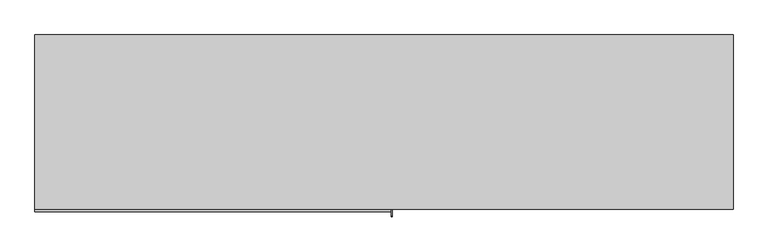
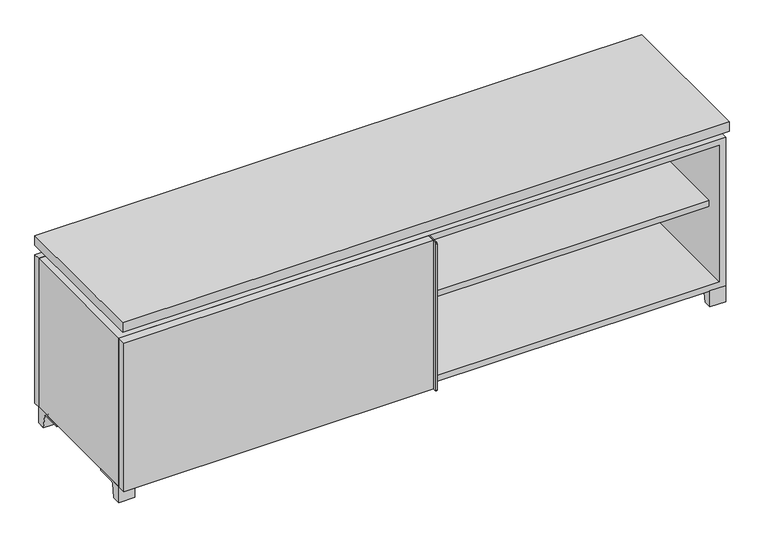
"""IFC4 building model written with IfcOpenShell, lengths in millimetres: furniture geometry."""

from ifc_helpers import new_model, si_unit, point, frame, frame_2d, origin, place, context, project, spatial, polyline, circle_curve, trimmed, segment, composite_curve, outline, extrude, faceted_brep, source, transform, mapped, element, save


def furniture_5260ff11(model_context):
    return source(origin(), model_context, "Body", "SolidModel", [
        extrude(outline(polyline([(9.5319453, 241.3), (895.3569453, 241.3), (895.3569453, -92.075), (9.5319453, -92.075), (9.5319453, 241.3)])), frame((0.0, 0.0, 277.8125), z_axis=(0.0, 0.0, 1.0), x_axis=(1.0, 0.0, 0.0)), (0.0, 0.0, 1.0), 19.05),
        extrude(outline(polyline([(-9.5041641, 241.3), (-9.5041641, -92.075), (-895.3291641, -92.075), (-895.3291641, 241.3), (-9.5041641, 241.3)])), frame((0.0, 0.0, 277.8125), z_axis=(0.0, 0.0, 1.0), x_axis=(1.0, 0.0, 0.0)), (0.0, 0.0, 1.0), 19.05),
        extrude(outline(composite_curve([segment(polyline([(47.6249864, 0.0), (22.225, 0.0), (22.225, 50.8), (117.475, 50.8), (117.475, 46.0213321), (60.6744655, 46.0213321)]), True, "CONTINUOUS"), segment(trimmed(circle_curve(frame_2d((60.6744655, 39.6713321)), 6.35), [point((60.6744655, 46.0213321))], [point((54.4108641, 40.7152656))], True, "CARTESIAN"), True, "CONTINUOUS"), segment(polyline([(54.4108641, 40.7152656), (47.6249864, 0.0)]), True, "CONTINUOUS")], self_intersect=False)), frame((-23.7986094, 0.0, 0.0), z_axis=(1.0, 0.0, 0.0), x_axis=(0.0, 1.0, 0.0)), (0.0, 0.0, 1.0), 47.625),
        extrude(outline(polyline([(914.4138906, 292.1), (914.4138906, -165.1), (-914.3861094, -165.1), (-914.3861094, 292.1), (914.4138906, 292.1)])), frame((0.0, 0.0, 554.0375), z_axis=(0.0, 0.0, 1.0), x_axis=(1.0, 0.0, 0.0)), (0.0, 0.0, 1.0), 30.1625),
        extrude(outline(composite_curve([segment(polyline([(-146.05, 523.875), (-146.05, 50.8), (-180.975, 50.8)]), True, "CONTINUOUS"), segment(trimmed(circle_curve(frame_2d((-180.975, 53.975)), 3.175), [point((-180.975, 50.8))], [point((-184.15, 53.975))], False, "CARTESIAN"), True, "CONTINUOUS"), segment(polyline([(-184.15, 53.975), (-184.15, 520.7)]), True, "CONTINUOUS"), segment(trimmed(circle_curve(frame_2d((-180.975, 520.7)), 3.175), [point((-184.15, 520.7))], [point((-180.975, 523.875))], False, "CARTESIAN"), True, "CONTINUOUS"), segment(polyline([(-180.975, 523.875), (-146.05, 523.875)]), True, "CONTINUOUS")], self_intersect=False)), frame((19.0638906, 0.0, 0.0), z_axis=(1.0, 0.0, 0.0), x_axis=(0.0, 1.0, 0.0)), (0.0, 0.0, 1.0), 3.175),
        extrude(outline(polyline([(-914.3861094, -146.05), (19.0638906, -146.05), (19.0638906, -171.45), (-914.3861094, -171.45), (-914.3861094, -146.05)])), frame((0.0, 0.0, 50.8), z_axis=(0.0, 0.0, 1.0), x_axis=(1.0, 0.0, 0.0)), (0.0, 0.0, 1.0), 473.075),
        extrude(outline(composite_curve([segment(polyline([(-120.6500136, 0.0), (-146.05, 0.0), (-146.05, 50.8), (-50.8, 50.8), (-50.8, 46.0213321), (-107.6005345, 46.0213321)]), True, "CONTINUOUS"), segment(trimmed(circle_curve(frame_2d((-107.6005345, 39.6713321)), 6.35), [point((-107.6005345, 46.0213321))], [point((-113.8641359, 40.7152656))], True, "CARTESIAN"), True, "CONTINUOUS"), segment(polyline([(-113.8641359, 40.7152656), (-120.6500136, 0.0)]), True, "CONTINUOUS")], self_intersect=False)), frame((866.7888906, 0.0, 0.0), z_axis=(1.0, 0.0, 0.0), x_axis=(0.0, 1.0, 0.0)), (0.0, 0.0, 1.0), 47.625),
        extrude(outline(composite_curve([segment(polyline([(247.6500136, 0.0), (240.8641359, 40.7152656)]), True, "CONTINUOUS"), segment(trimmed(circle_curve(frame_2d((234.6005345, 39.6713321)), 6.35), [point((240.8641359, 40.7152656))], [point((234.6005345, 46.0213321))], True, "CARTESIAN"), True, "CONTINUOUS"), segment(polyline([(234.6005345, 46.0213321), (177.8, 46.0213321), (177.8, 50.8), (273.05, 50.8), (273.05, 0.0), (247.6500136, 0.0)]), True, "CONTINUOUS")], self_intersect=False)), frame((866.7888906, 0.0, 0.0), z_axis=(1.0, 0.0, 0.0), x_axis=(0.0, 1.0, 0.0)), (0.0, 0.0, 1.0), 47.625),
        extrude(outline(composite_curve([segment(polyline([(-120.6500136, 0.0), (-146.05, 0.0), (-146.05, 50.8), (-50.8, 50.8), (-50.8, 46.0213321), (-107.6005345, 46.0213321)]), True, "CONTINUOUS"), segment(trimmed(circle_curve(frame_2d((-107.6005345, 39.6713321)), 6.35), [point((-107.6005345, 46.0213321))], [point((-113.8641359, 40.7152656))], True, "CARTESIAN"), True, "CONTINUOUS"), segment(polyline([(-113.8641359, 40.7152656), (-120.6500136, 0.0)]), True, "CONTINUOUS")], self_intersect=False)), frame((-914.3861094, 0.0, 0.0), z_axis=(1.0, 0.0, 0.0), x_axis=(0.0, 1.0, 0.0)), (0.0, 0.0, 1.0), 47.625),
        extrude(outline(composite_curve([segment(polyline([(247.6500136, 0.0), (240.8641359, 40.7152656)]), True, "CONTINUOUS"), segment(trimmed(circle_curve(frame_2d((234.6005345, 39.6713321)), 6.35), [point((240.8641359, 40.7152656))], [point((234.6005345, 46.0213321))], True, "CARTESIAN"), True, "CONTINUOUS"), segment(polyline([(234.6005345, 46.0213321), (177.8, 46.0213321), (177.8, 50.8), (273.05, 50.8), (273.05, 0.0), (247.6500136, 0.0)]), True, "CONTINUOUS")], self_intersect=False)), frame((-914.3861094, 0.0, 0.0), z_axis=(1.0, 0.0, 0.0), x_axis=(0.0, 1.0, 0.0)), (0.0, 0.0, 1.0), 47.625),
        faceted_brep([(7.9513906, -120.65, 554.0375), (7.9513906, -120.65, 523.875), (7.9513906, 53.975, 523.875), (7.9513906, 53.975, 554.0375), (7.9513906, 247.65, 523.875), (7.9513906, 247.65, 554.0375), (7.9513906, 73.025, 554.0375), (7.9513906, 73.025, 523.875), (-7.9236094, 247.65, 554.0375), (-7.9236094, 247.65, 523.875), (-7.9236094, 73.025, 523.875), (-7.9236094, 73.025, 554.0375), (-7.9236094, -120.65, 523.875), (-7.9236094, -120.65, 554.0375), (-7.9236094, 53.975, 554.0375), (-7.9236094, 53.975, 523.875), (-873.0833281, 73.025, 554.0375), (-873.1041641, 247.65, 554.0375), (-888.9791641, 247.65, 554.0375), (-888.9791641, -120.65, 554.0375), (-873.1041641, -120.65, 554.0375), (-873.1041641, 53.975, 554.0375), (873.1111094, 53.975, 554.0375), (873.1111094, -120.65, 554.0375), (888.9861094, -120.65, 554.0375), (888.9861094, 247.65, 554.0375), (873.1111094, 247.65, 554.0375), (873.1111094, 73.025, 554.0375), (-873.0833281, 53.975, 523.875), (-873.1041641, -120.65, 523.875), (-888.9791641, -120.65, 523.875), (-888.9791641, 247.65, 523.875), (-873.1041641, 247.65, 523.875), (-873.1041641, 73.025, 523.875), (873.1111094, 73.025, 523.875), (873.1111094, 247.65, 523.875), (888.9861094, 247.65, 523.875), (888.9861094, -120.65, 523.875), (873.1111094, -120.65, 523.875), (873.1111094, 53.975, 523.875)], [[[0, 1, 2, 3]], [[4, 5, 6, 7]], [[8, 9, 10, 11]], [[12, 13, 14, 15]], [[5, 8, 11, 16, 17, 18, 19, 20, 21, 14, 13, 0, 3, 22, 23, 24, 25, 26, 27, 6]], [[1, 12, 15, 28, 29, 30, 31, 32, 33, 10, 9, 4, 7, 34, 35, 36, 37, 38, 39, 2]], [[5, 4, 9, 8]], [[1, 0, 13, 12]], [[6, 27, 34, 7]], [[22, 3, 2, 39]], [[20, 29, 28, 21]], [[32, 17, 16, 33]], [[18, 31, 30, 19]], [[29, 20, 19, 30]], [[17, 32, 31, 18]], [[26, 35, 34, 27]], [[38, 23, 22, 39]], [[25, 24, 37, 36]], [[23, 38, 37, 24]], [[35, 26, 25, 36]], [[16, 11, 10, 33]], [[14, 21, 28, 15]]]),
        extrude(outline(polyline([(9.5388906, 241.3), (9.5388906, -95.25), (-9.5111094, -95.25), (-9.5111094, 241.3), (9.5388906, 241.3)])), frame((0.0, 0.0, 69.85), z_axis=(0.0, 0.0, 1.0), x_axis=(1.0, 0.0, 0.0)), (0.0, 0.0, 1.0), 434.975),
        extrude(outline(polyline([(15.8888906, -88.9), (15.8888906, -146.05), (-9.5111094, -146.05), (-9.5111094, -120.65), (3.1888906, -120.65), (3.1888906, -88.9), (15.8888906, -88.9)])), frame((0.0, 0.0, 69.85), z_axis=(0.0, 0.0, 1.0), x_axis=(1.0, 0.0, 0.0)), (0.0, 0.0, 1.0), 434.975),
        extrude(outline(polyline([(914.4138906, 273.05), (-914.3861094, 273.05), (-914.3861094, 292.1), (914.4138906, 292.1), (914.4138906, 273.05)])), frame((0.0, 0.0, 50.8), z_axis=(0.0, 0.0, 1.0), x_axis=(1.0, 0.0, 0.0)), (0.0, 0.0, 1.0), 473.075),
        extrude(outline(polyline([(50.8, -914.3861094), (50.8, 914.4), (523.875, 914.4), (523.875, -914.3861094), (50.8, -914.3861094)]), holes=[polyline([(69.85, -895.3361094), (504.825, -895.3361094), (504.825, 895.3361094), (69.85, 895.3361094), (69.85, -895.3361094)])]), frame((0.0, -146.05, 0.0), z_axis=(0.0, 1.0, 0.0), x_axis=(0.0, 0.0, 1.0)), (0.0, 0.0, 1.0), 419.1),
        extrude(outline(polyline([(-895.3291641, 241.3), (-895.3291641, 247.65), (895.3569453, 247.65), (895.3569453, 241.3), (-895.3291641, 241.3)])), frame((0.0, 0.0, 69.85), z_axis=(0.0, 0.0, 1.0), x_axis=(1.0, 0.0, 0.0)), (0.0, 0.0, 1.0), 434.975),
    ])


if __name__ == "__main__":
    model = new_model("IFC4")
    model_context = context("Model", 3, world=origin())
    ifc_project = project(units=[si_unit("LENGTHUNIT", "METRE", prefix="MILLI")], contexts=[model_context])
    site = spatial("IfcSite", under=ifc_project)
    building = spatial("IfcBuilding", under=site)
    placement = place(None, origin())
    furniture_shape = furniture_5260ff11(model_context)
    element("IfcFurniture", 1, at=placement, inside=building, context=model_context, shape_type="MappedRepresentation", body=[
        mapped(furniture_shape, transform((0.0, 0.0, 0.0), x_axis=(1.0, 0.0, 0.0), y_axis=(0.0, 1.0, 0.0), z_axis=(0.0, 0.0, 1.0))),
    ])
    save(model, "model.ifc")
